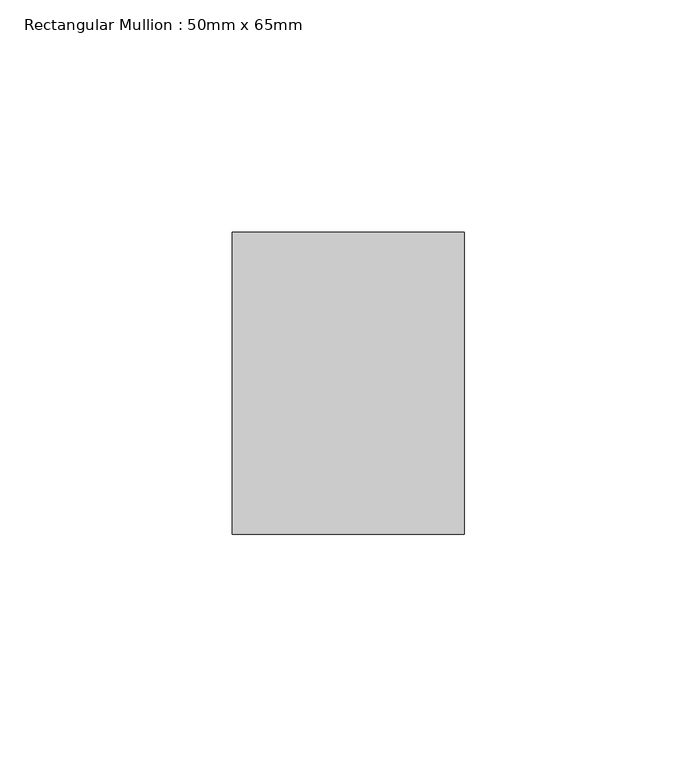
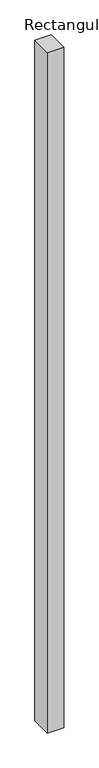
"""IFC4 building model written with IfcOpenShell, lengths in millimetres: member geometry, Rectangular Mullion : 50mm x 65mm."""

from ifc_helpers import new_model, si_unit, frame, origin, place, context, project, spatial, polyline, outline, extrude, source, transform, mapped, element, save


def rectangular_mullion_50mm_x_65mm_80779c66(model_context):
    return source(origin(), model_context, "Body", "SweptSolid", [
        extrude(outline(polyline([(25.0, 32.5), (25.0, -32.5), (-25.0, -32.5), (-25.0, 32.5), (25.0, 32.5)])), frame((0.0, 0.0, -2186.9745793), z_axis=(0.0, 0.0, 1.0), x_axis=(1.0, 0.0, 0.0)), (0.0, 0.0, 1.0), 2186.9745793),
    ])


if __name__ == "__main__":
    model = new_model("IFC4")
    model_context = context("Model", 3, world=origin())
    ifc_project = project(units=[si_unit("LENGTHUNIT", "METRE", prefix="MILLI")], contexts=[model_context])
    site = spatial("IfcSite", under=ifc_project)
    building = spatial("IfcBuilding", under=site)
    placement = place(None, origin())
    rectangular_mullion_50mm_x_65mm_shape = rectangular_mullion_50mm_x_65mm_80779c66(model_context)
    element("IfcMember", 1, ObjectType="Rectangular Mullion : 50mm x 65mm", at=placement, inside=building, context=model_context, shape_type="MappedRepresentation", body=[
        mapped(rectangular_mullion_50mm_x_65mm_shape, transform((0.0, 0.0, 0.0), x_axis=(1.0, 0.0, 0.0), y_axis=(0.0, 1.0, 0.0), z_axis=(0.0, 0.0, 1.0))),
    ])
    save(model, "model.ifc")
